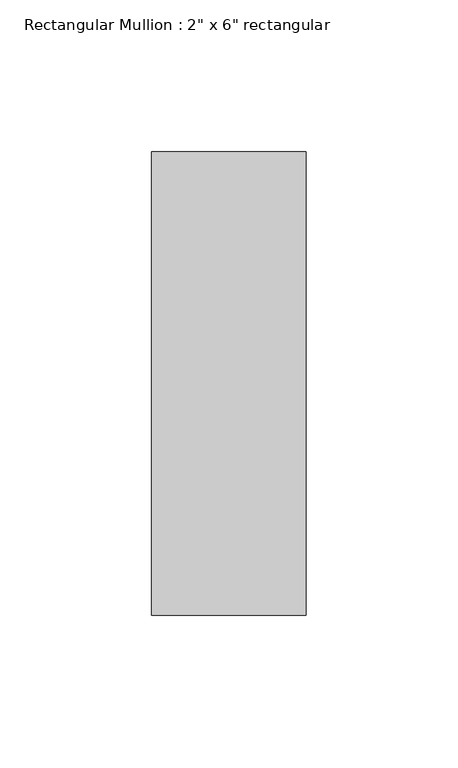
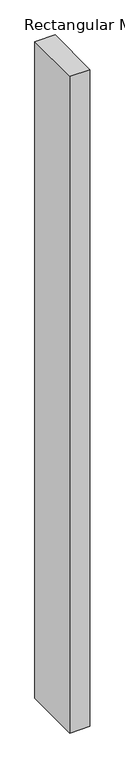
"""IFC4 building model written with IfcOpenShell, lengths in millimetres: member geometry."""

from ifc_helpers import new_model, si_unit, frame, origin, place, context, project, spatial, polyline, outline, extrude, source, transform, mapped, element, save


def member_d1b21a82(model_context):
    return source(origin(), model_context, "Body", "SweptSolid", [
        extrude(outline(polyline([(0.0, 76.2), (0.0, -76.2), (-50.8, -76.2), (-50.8, 76.2), (0.0, 76.2)])), frame((0.0, 0.0, -1752.6), z_axis=(0.0, 0.0, 1.0), x_axis=(1.0, 0.0, 0.0)), (0.0, 0.0, 1.0), 1752.6),
    ])


if __name__ == "__main__":
    model = new_model("IFC4")
    model_context = context("Model", 3, world=origin())
    ifc_project = project(units=[si_unit("LENGTHUNIT", "METRE", prefix="MILLI")], contexts=[model_context])
    site = spatial("IfcSite", under=ifc_project)
    building = spatial("IfcBuilding", under=site)
    placement = place(None, origin())
    member_shape = member_d1b21a82(model_context)
    element("IfcMember", 1, ObjectType="Rectangular Mullion : 2\" x 6\" rectangular", at=placement, inside=building, context=model_context, shape_type="MappedRepresentation", body=[
        mapped(member_shape, transform((0.0, 0.0, 0.0), x_axis=(1.0, 0.0, 0.0), y_axis=(0.0, 1.0, 0.0), z_axis=(0.0, 0.0, 1.0))),
    ])
    save(model, "model.ifc")
